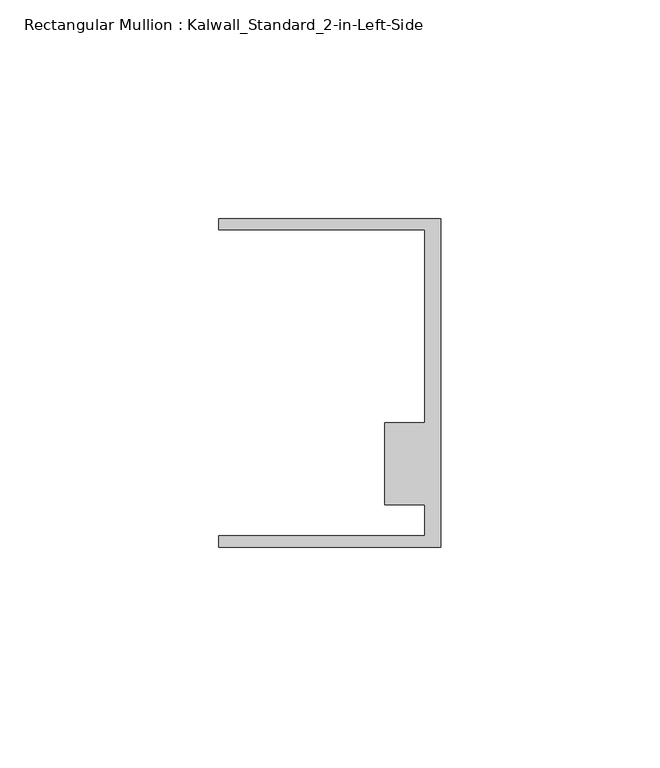
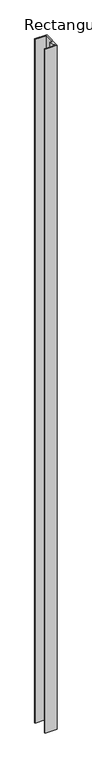
"""IFC4 building model written with IfcOpenShell, lengths in millimetres: member geometry, Rectangular Mullion : Kalwall_Standard_2-in-Left-Side."""

import ifcopenshell
import ifcopenshell.guid

model = None  # the IFC model being written
_history = None  # IfcOwnerHistory: only IFC2X3 demands one
_inside = {}  # id of a spatial element -> (the spatial element, [elements in it])
_under = {}  # id of a project, library or spatial element -> (it, [spatial elements below it])
_declared = {}  # id of a project -> (the project, [libraries it declares])
_typed = {}  # id of a type object -> (the type object, [elements of that type])
_made_of = {}  # id of a material, layer set ... -> (it, [elements and type objects made of it])


def new_model(schema):
    """Start an empty IFC model of exactly this schema.

    Asked for "IFC4X3", IfcOpenShell would pick the latest addendum, in which some entities
    have other attributes; the version numbers below select the first issue.
    IFC2X3 requires an IfcOwnerHistory on every rooted entity: one is made here for all.
    """
    global model, _history
    if schema == "IFC4X3":
        model = ifcopenshell.file(schema_version=(4, 3, 0, 0))
    else:
        model = ifcopenshell.file(schema=schema)
    _inside.clear()
    _under.clear()
    _declared.clear()
    _typed.clear()
    _made_of.clear()
    _history = None
    if model.schema == "IFC2X3":
        org = make("IfcOrganization", Name="unknown")
        user = make(
            "IfcPersonAndOrganization",
            ThePerson=make("IfcPerson", FamilyName="unknown"),
            TheOrganization=org,
        )
        app = make(
            "IfcApplication",
            ApplicationDeveloper=org,
            Version="unknown",
            ApplicationFullName="unknown",
            ApplicationIdentifier="unknown",
        )
        _history = make(
            "IfcOwnerHistory",
            OwningUser=user,
            OwningApplication=app,
            ChangeAction="ADDED",
            CreationDate=0,
        )
    return model


def make(cls, **values):
    """One entity of the class cls with the attributes given. An attribute that is None is left unset."""
    return model.create_entity(
        cls, **{name: value for name, value in values.items() if value is not None}
    )


def rooted(cls, **values):
    """An entity with a GlobalId (a new one), such as an element, a storey or a relation."""
    return make(cls, GlobalId=ifcopenshell.guid.new(), OwnerHistory=_history, **values)


def si_unit(unit_type, name, prefix=None):
    """IfcSIUnit, for example si_unit("LENGTHUNIT", "METRE", prefix="MILLI")."""
    return make("IfcSIUnit", UnitType=unit_type, Prefix=prefix, Name=name)


def assignment(units):
    """IfcUnitAssignment: the units of a project."""
    return None if units is None else make("IfcUnitAssignment", Units=units)


def point(xyz):
    """IfcCartesianPoint."""
    return None if xyz is None else make("IfcCartesianPoint", Coordinates=xyz)


def direction(xyz):
    """IfcDirection."""
    return None if xyz is None else make("IfcDirection", DirectionRatios=xyz)


def frame(location, z_axis=None, x_axis=None):
    """IfcAxis2Placement3D, a coordinate frame: its origin and axes. An axis left out is left unset."""
    return make(
        "IfcAxis2Placement3D",
        Location=point(location),
        Axis=direction(z_axis),
        RefDirection=direction(x_axis),
    )


def origin():
    """The frame at (0, 0, 0) with its axes left unset."""
    return frame((0.0, 0.0, 0.0))


def place(relative_to, where):
    """IfcLocalPlacement: puts the frame where relative to a parent placement (None: the world)."""
    return make(
        "IfcLocalPlacement", PlacementRelTo=relative_to, RelativePlacement=where
    )


def context(
    kind, dimensions, precision=None, world=None, true_north=None, identifier=None
):
    """IfcGeometricRepresentationContext, for example the 3D "Model" context."""
    return make(
        "IfcGeometricRepresentationContext",
        ContextIdentifier=identifier,
        ContextType=kind,
        CoordinateSpaceDimension=dimensions,
        Precision=precision,
        WorldCoordinateSystem=world,
        TrueNorth=true_north,
    )


def project(units=None, contexts=None):
    """IfcProject with its units and contexts."""
    return rooted(
        "IfcProject",
        Name="project",
        RepresentationContexts=contexts,
        UnitsInContext=assignment(units),
    )


def spatial(cls, under=None, at=None, **own):
    """A site, building, storey or space (cls), placed at a placement, below another one or the project."""
    s = rooted(cls, ObjectPlacement=at, **own)
    if under is not None:
        _under.setdefault(under.id(), (under, []))[1].append(s)
    return s


def polyline(points):
    """IfcPolyline through the points."""
    return make("IfcPolyline", Points=[point(p) for p in points])


def outline(outer, holes=None, kind="AREA"):
    """IfcArbitraryClosedProfileDef: a profile drawn as a closed curve; with holes, ...WithVoids."""
    if holes is None:
        return make("IfcArbitraryClosedProfileDef", ProfileType=kind, OuterCurve=outer)
    return make(
        "IfcArbitraryProfileDefWithVoids",
        ProfileType=kind,
        OuterCurve=outer,
        InnerCurves=holes,
    )


def extrude(swept, where, along, depth):
    """IfcExtrudedAreaSolid: the profile swept, set in the frame where, extruded along a direction by depth."""
    return make(
        "IfcExtrudedAreaSolid",
        SweptArea=swept,
        Position=where,
        ExtrudedDirection=direction(along),
        Depth=depth,
    )


def shape(context_of_items, identifier, shape_type, items):
    """IfcShapeRepresentation: the items that make up one representation, for example the "Body"."""
    return make(
        "IfcShapeRepresentation",
        ContextOfItems=context_of_items,
        RepresentationIdentifier=identifier,
        RepresentationType=shape_type,
        Items=items,
    )


def source(mapping_origin, context_of_items, identifier, shape_type, items):
    """IfcRepresentationMap: a shape defined once, which mapped items show again and again."""
    return make(
        "IfcRepresentationMap",
        MappingOrigin=mapping_origin,
        MappedRepresentation=shape(context_of_items, identifier, shape_type, items),
    )


def transform(
    local_origin,
    x_axis=None,
    y_axis=None,
    z_axis=None,
    scale=None,
    scale2=None,
    scale3=None,
    uniform=True,
):
    """IfcCartesianTransformationOperator3D, or its non-uniform kind. x_axis, y_axis, z_axis: its Axis1, 2, 3."""
    if uniform:
        return make(
            "IfcCartesianTransformationOperator3D",
            Axis1=direction(x_axis),
            Axis2=direction(y_axis),
            LocalOrigin=point(local_origin),
            Scale=scale,
            Axis3=direction(z_axis),
        )
    return make(
        "IfcCartesianTransformationOperator3DnonUniform",
        Axis1=direction(x_axis),
        Axis2=direction(y_axis),
        LocalOrigin=point(local_origin),
        Scale=scale,
        Axis3=direction(z_axis),
        Scale2=scale2,
        Scale3=scale3,
    )


def mapped(mapping_source, mapping_target):
    """IfcMappedItem: shows the shape of a source again, moved by a transform."""
    return make(
        "IfcMappedItem", MappingSource=mapping_source, MappingTarget=mapping_target
    )


def made_of(thing, what):
    """Note that an element or type object is made of a material, layer set ...; save() writes the relation."""
    if what is not None:
        _made_of.setdefault(what.id(), (what, []))[1].append(thing)
    return thing


def element(
    cls,
    number,
    at=None,
    inside=None,
    cuts=None,
    type_object=None,
    material=None,
    context=None,
    identifier="Body",
    shape_type=None,
    held_by="IfcProductDefinitionShape",
    body=None,
    shapes=None,
    **own,
):
    """One element of the class cls, such as IfcWall. Its Tag is "e" and its number.

    at: its placement. inside: the storey or other place that contains it. cuts: it is an
    opening in that element (IfcRelVoidsElement). A single representation is given by context,
    identifier, shape_type and body (its items); several are given by shapes. held_by: the class
    of the entity that holds the representations. save() writes the other relations.
    """
    e = rooted(cls, Tag="e%d" % number, ObjectPlacement=at, **own)
    if body is not None:
        shapes = [shape(context, identifier, shape_type, body)]
    if shapes is not None:
        e.Representation = make(held_by, Representations=shapes)
    if inside is not None:
        _inside.setdefault(inside.id(), (inside, []))[1].append(e)
    if cuts is not None:
        rooted(
            "IfcRelVoidsElement", RelatingBuildingElement=cuts, RelatedOpeningElement=e
        )
    if type_object is not None:
        _typed.setdefault(type_object.id(), (type_object, []))[1].append(e)
    return made_of(e, material)


def aggregate(whole, parts):
    """IfcRelAggregates: a whole, such as a stair, and the parts it consists of."""
    return rooted("IfcRelAggregates", RelatingObject=whole, RelatedObjects=parts)


def save(model, path):
    """Write the relations noted so far, then the file.

    IfcRelAggregates (storeys below a building ...), IfcRelContainedInSpatialStructure (elements
    in a storey), IfcRelDefinesByType, IfcRelAssociatesMaterial and IfcRelDeclares: one each for
    every whole, place, type object, material and project.
    """
    for whole, parts in _under.values():
        aggregate(whole, parts)
    for where, things in _inside.values():
        rooted(
            "IfcRelContainedInSpatialStructure",
            RelatedElements=things,
            RelatingStructure=where,
        )
    for kind, things in _typed.values():
        rooted("IfcRelDefinesByType", RelatedObjects=things, RelatingType=kind)
    for what, things in _made_of.values():
        rooted("IfcRelAssociatesMaterial", RelatedObjects=things, RelatingMaterial=what)
    for by, libraries in _declared.values():
        rooted("IfcRelDeclares", RelatingContext=by, RelatedDefinitions=libraries)
    model.write(path)


def rectangular_mullion_kalwall_standard_2_in_left_side_d07c9f1f(model_context):
    return source(origin(), model_context, "Body", "SweptSolid", [
        extrude(outline(polyline([(0.0, -37.5776386), (-50.8, -37.5776386), (-50.8, -35.0376386), (-3.7084, -35.0376386), (-3.7084, -27.8888568), (-12.8272539, -27.8888568), (-12.8272539, -9.1879886), (-3.7084, -9.1879886), (-3.7084, 34.9623614), (-50.8, 34.9623614), (-50.8, 37.5023614), (0.0, 37.5023614), (0.0, -37.5776386)])), frame((0.0, 0.0, -3013.075), z_axis=(0.0, 0.0, 1.0), x_axis=(1.0, 0.0, 0.0)), (0.0, 0.0, 1.0), 3013.075),
    ])


if __name__ == "__main__":
    model = new_model("IFC4")
    model_context = context("Model", 3, world=origin())
    ifc_project = project(units=[si_unit("LENGTHUNIT", "METRE", prefix="MILLI")], contexts=[model_context])
    site = spatial("IfcSite", under=ifc_project)
    building = spatial("IfcBuilding", under=site)
    placement = place(None, origin())
    rectangular_mullion_kalwall_standard_2_in_left_side_shape = rectangular_mullion_kalwall_standard_2_in_left_side_d07c9f1f(model_context)
    element("IfcMember", 1, ObjectType="Rectangular Mullion : Kalwall_Standard_2-in-Left-Side", at=placement, inside=building, context=model_context, shape_type="MappedRepresentation", body=[
        mapped(rectangular_mullion_kalwall_standard_2_in_left_side_shape, transform((0.0, 0.0, 0.0), x_axis=(1.0, 0.0, 0.0), y_axis=(0.0, 1.0, 0.0), z_axis=(0.0, 0.0, 1.0))),
    ])
    save(model, "model.ifc")
